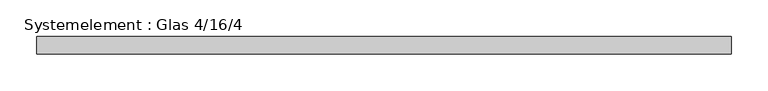
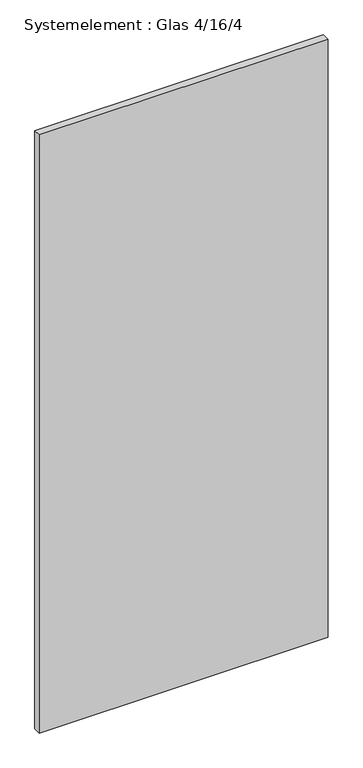
"""IFC4 building model written with IfcOpenShell, lengths in millimetres: plate geometry, Systemelement : Glas 4/16/4."""

import ifcopenshell
import ifcopenshell.guid

model = None  # the IFC model being written
_history = None  # IfcOwnerHistory: only IFC2X3 demands one
_inside = {}  # id of a spatial element -> (the spatial element, [elements in it])
_under = {}  # id of a project, library or spatial element -> (it, [spatial elements below it])
_declared = {}  # id of a project -> (the project, [libraries it declares])
_typed = {}  # id of a type object -> (the type object, [elements of that type])
_made_of = {}  # id of a material, layer set ... -> (it, [elements and type objects made of it])


def new_model(schema):
    """Start an empty IFC model of exactly this schema.

    Asked for "IFC4X3", IfcOpenShell would pick the latest addendum, in which some entities
    have other attributes; the version numbers below select the first issue.
    IFC2X3 requires an IfcOwnerHistory on every rooted entity: one is made here for all.
    """
    global model, _history
    if schema == "IFC4X3":
        model = ifcopenshell.file(schema_version=(4, 3, 0, 0))
    else:
        model = ifcopenshell.file(schema=schema)
    _inside.clear()
    _under.clear()
    _declared.clear()
    _typed.clear()
    _made_of.clear()
    _history = None
    if model.schema == "IFC2X3":
        org = make("IfcOrganization", Name="unknown")
        user = make(
            "IfcPersonAndOrganization",
            ThePerson=make("IfcPerson", FamilyName="unknown"),
            TheOrganization=org,
        )
        app = make(
            "IfcApplication",
            ApplicationDeveloper=org,
            Version="unknown",
            ApplicationFullName="unknown",
            ApplicationIdentifier="unknown",
        )
        _history = make(
            "IfcOwnerHistory",
            OwningUser=user,
            OwningApplication=app,
            ChangeAction="ADDED",
            CreationDate=0,
        )
    return model


def make(cls, **values):
    """One entity of the class cls with the attributes given. An attribute that is None is left unset."""
    return model.create_entity(
        cls, **{name: value for name, value in values.items() if value is not None}
    )


def rooted(cls, **values):
    """An entity with a GlobalId (a new one), such as an element, a storey or a relation."""
    return make(cls, GlobalId=ifcopenshell.guid.new(), OwnerHistory=_history, **values)


def si_unit(unit_type, name, prefix=None):
    """IfcSIUnit, for example si_unit("LENGTHUNIT", "METRE", prefix="MILLI")."""
    return make("IfcSIUnit", UnitType=unit_type, Prefix=prefix, Name=name)


def assignment(units):
    """IfcUnitAssignment: the units of a project."""
    return None if units is None else make("IfcUnitAssignment", Units=units)


def point(xyz):
    """IfcCartesianPoint."""
    return None if xyz is None else make("IfcCartesianPoint", Coordinates=xyz)


def direction(xyz):
    """IfcDirection."""
    return None if xyz is None else make("IfcDirection", DirectionRatios=xyz)


def frame(location, z_axis=None, x_axis=None):
    """IfcAxis2Placement3D, a coordinate frame: its origin and axes. An axis left out is left unset."""
    return make(
        "IfcAxis2Placement3D",
        Location=point(location),
        Axis=direction(z_axis),
        RefDirection=direction(x_axis),
    )


def origin():
    """The frame at (0, 0, 0) with its axes left unset."""
    return frame((0.0, 0.0, 0.0))


def origin_with_axes():
    """The frame at (0, 0, 0) with the z axis (0, 0, 1) and the x axis (1, 0, 0) written out."""
    return frame((0.0, 0.0, 0.0), z_axis=(0.0, 0.0, 1.0), x_axis=(1.0, 0.0, 0.0))


def place(relative_to, where):
    """IfcLocalPlacement: puts the frame where relative to a parent placement (None: the world)."""
    return make(
        "IfcLocalPlacement", PlacementRelTo=relative_to, RelativePlacement=where
    )


def context(
    kind, dimensions, precision=None, world=None, true_north=None, identifier=None
):
    """IfcGeometricRepresentationContext, for example the 3D "Model" context."""
    return make(
        "IfcGeometricRepresentationContext",
        ContextIdentifier=identifier,
        ContextType=kind,
        CoordinateSpaceDimension=dimensions,
        Precision=precision,
        WorldCoordinateSystem=world,
        TrueNorth=true_north,
    )


def project(units=None, contexts=None):
    """IfcProject with its units and contexts."""
    return rooted(
        "IfcProject",
        Name="project",
        RepresentationContexts=contexts,
        UnitsInContext=assignment(units),
    )


def spatial(cls, under=None, at=None, **own):
    """A site, building, storey or space (cls), placed at a placement, below another one or the project."""
    s = rooted(cls, ObjectPlacement=at, **own)
    if under is not None:
        _under.setdefault(under.id(), (under, []))[1].append(s)
    return s


def polyline(points):
    """IfcPolyline through the points."""
    return make("IfcPolyline", Points=[point(p) for p in points])


def outline(outer, holes=None, kind="AREA"):
    """IfcArbitraryClosedProfileDef: a profile drawn as a closed curve; with holes, ...WithVoids."""
    if holes is None:
        return make("IfcArbitraryClosedProfileDef", ProfileType=kind, OuterCurve=outer)
    return make(
        "IfcArbitraryProfileDefWithVoids",
        ProfileType=kind,
        OuterCurve=outer,
        InnerCurves=holes,
    )


def extrude(swept, where, along, depth):
    """IfcExtrudedAreaSolid: the profile swept, set in the frame where, extruded along a direction by depth."""
    return make(
        "IfcExtrudedAreaSolid",
        SweptArea=swept,
        Position=where,
        ExtrudedDirection=direction(along),
        Depth=depth,
    )


def shape(context_of_items, identifier, shape_type, items):
    """IfcShapeRepresentation: the items that make up one representation, for example the "Body"."""
    return make(
        "IfcShapeRepresentation",
        ContextOfItems=context_of_items,
        RepresentationIdentifier=identifier,
        RepresentationType=shape_type,
        Items=items,
    )


def source(mapping_origin, context_of_items, identifier, shape_type, items):
    """IfcRepresentationMap: a shape defined once, which mapped items show again and again."""
    return make(
        "IfcRepresentationMap",
        MappingOrigin=mapping_origin,
        MappedRepresentation=shape(context_of_items, identifier, shape_type, items),
    )


def transform(
    local_origin,
    x_axis=None,
    y_axis=None,
    z_axis=None,
    scale=None,
    scale2=None,
    scale3=None,
    uniform=True,
):
    """IfcCartesianTransformationOperator3D, or its non-uniform kind. x_axis, y_axis, z_axis: its Axis1, 2, 3."""
    if uniform:
        return make(
            "IfcCartesianTransformationOperator3D",
            Axis1=direction(x_axis),
            Axis2=direction(y_axis),
            LocalOrigin=point(local_origin),
            Scale=scale,
            Axis3=direction(z_axis),
        )
    return make(
        "IfcCartesianTransformationOperator3DnonUniform",
        Axis1=direction(x_axis),
        Axis2=direction(y_axis),
        LocalOrigin=point(local_origin),
        Scale=scale,
        Axis3=direction(z_axis),
        Scale2=scale2,
        Scale3=scale3,
    )


def mapped(mapping_source, mapping_target):
    """IfcMappedItem: shows the shape of a source again, moved by a transform."""
    return make(
        "IfcMappedItem", MappingSource=mapping_source, MappingTarget=mapping_target
    )


def made_of(thing, what):
    """Note that an element or type object is made of a material, layer set ...; save() writes the relation."""
    if what is not None:
        _made_of.setdefault(what.id(), (what, []))[1].append(thing)
    return thing


def element(
    cls,
    number,
    at=None,
    inside=None,
    cuts=None,
    type_object=None,
    material=None,
    context=None,
    identifier="Body",
    shape_type=None,
    held_by="IfcProductDefinitionShape",
    body=None,
    shapes=None,
    **own,
):
    """One element of the class cls, such as IfcWall. Its Tag is "e" and its number.

    at: its placement. inside: the storey or other place that contains it. cuts: it is an
    opening in that element (IfcRelVoidsElement). A single representation is given by context,
    identifier, shape_type and body (its items); several are given by shapes. held_by: the class
    of the entity that holds the representations. save() writes the other relations.
    """
    e = rooted(cls, Tag="e%d" % number, ObjectPlacement=at, **own)
    if body is not None:
        shapes = [shape(context, identifier, shape_type, body)]
    if shapes is not None:
        e.Representation = make(held_by, Representations=shapes)
    if inside is not None:
        _inside.setdefault(inside.id(), (inside, []))[1].append(e)
    if cuts is not None:
        rooted(
            "IfcRelVoidsElement", RelatingBuildingElement=cuts, RelatedOpeningElement=e
        )
    if type_object is not None:
        _typed.setdefault(type_object.id(), (type_object, []))[1].append(e)
    return made_of(e, material)


def aggregate(whole, parts):
    """IfcRelAggregates: a whole, such as a stair, and the parts it consists of."""
    return rooted("IfcRelAggregates", RelatingObject=whole, RelatedObjects=parts)


def save(model, path):
    """Write the relations noted so far, then the file.

    IfcRelAggregates (storeys below a building ...), IfcRelContainedInSpatialStructure (elements
    in a storey), IfcRelDefinesByType, IfcRelAssociatesMaterial and IfcRelDeclares: one each for
    every whole, place, type object, material and project.
    """
    for whole, parts in _under.values():
        aggregate(whole, parts)
    for where, things in _inside.values():
        rooted(
            "IfcRelContainedInSpatialStructure",
            RelatedElements=things,
            RelatingStructure=where,
        )
    for kind, things in _typed.values():
        rooted("IfcRelDefinesByType", RelatedObjects=things, RelatingType=kind)
    for what, things in _made_of.values():
        rooted("IfcRelAssociatesMaterial", RelatedObjects=things, RelatingMaterial=what)
    for by, libraries in _declared.values():
        rooted("IfcRelDeclares", RelatingContext=by, RelatedDefinitions=libraries)
    model.write(path)


def systemelement_glas_4_16_4_fe15da7c(model_context):
    return source(origin(), model_context, "Body", "SweptSolid", [
        extrude(outline(polyline([(472.8571428, -12.0), (-472.8571428, -12.0), (-472.8571428, 12.0), (472.8571428, 12.0), (472.8571428, -12.0)])), origin_with_axes(), (0.0, 0.0, 1.0), 2070.0),
    ])


if __name__ == "__main__":
    model = new_model("IFC4")
    model_context = context("Model", 3, world=origin())
    ifc_project = project(units=[si_unit("LENGTHUNIT", "METRE", prefix="MILLI")], contexts=[model_context])
    site = spatial("IfcSite", under=ifc_project)
    building = spatial("IfcBuilding", under=site)
    placement = place(None, origin())
    systemelement_glas_4_16_4_shape = systemelement_glas_4_16_4_fe15da7c(model_context)
    element("IfcPlate", 1, ObjectType="Systemelement : Glas 4/16/4", at=placement, inside=building, context=model_context, shape_type="MappedRepresentation", body=[
        mapped(systemelement_glas_4_16_4_shape, transform((0.0, 0.0, 0.0), x_axis=(1.0, 0.0, 0.0), y_axis=(0.0, 1.0, 0.0), z_axis=(0.0, 0.0, 1.0))),
    ])
    save(model, "model.ifc")
